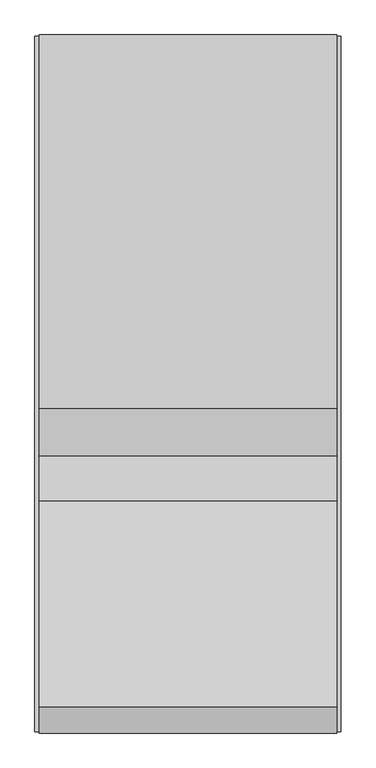
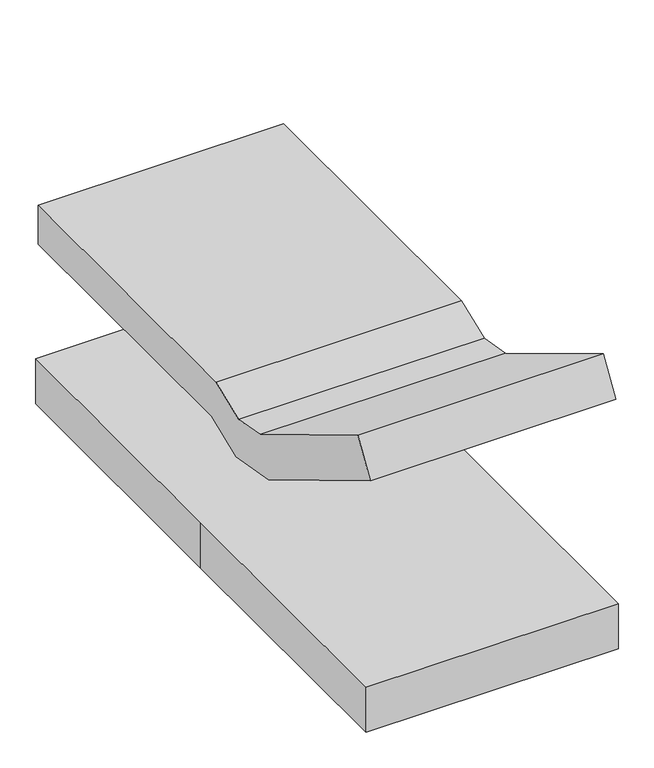
"""IFC4 building model written with IfcOpenShell, lengths in millimetres: proxy geometry."""

import ifcopenshell
import ifcopenshell.guid

model = None  # the IFC model being written
_history = None  # IfcOwnerHistory: only IFC2X3 demands one
_inside = {}  # id of a spatial element -> (the spatial element, [elements in it])
_under = {}  # id of a project, library or spatial element -> (it, [spatial elements below it])
_declared = {}  # id of a project -> (the project, [libraries it declares])
_typed = {}  # id of a type object -> (the type object, [elements of that type])
_made_of = {}  # id of a material, layer set ... -> (it, [elements and type objects made of it])


def new_model(schema):
    """Start an empty IFC model of exactly this schema.

    Asked for "IFC4X3", IfcOpenShell would pick the latest addendum, in which some entities
    have other attributes; the version numbers below select the first issue.
    IFC2X3 requires an IfcOwnerHistory on every rooted entity: one is made here for all.
    """
    global model, _history
    if schema == "IFC4X3":
        model = ifcopenshell.file(schema_version=(4, 3, 0, 0))
    else:
        model = ifcopenshell.file(schema=schema)
    _inside.clear()
    _under.clear()
    _declared.clear()
    _typed.clear()
    _made_of.clear()
    _history = None
    if model.schema == "IFC2X3":
        org = make("IfcOrganization", Name="unknown")
        user = make(
            "IfcPersonAndOrganization",
            ThePerson=make("IfcPerson", FamilyName="unknown"),
            TheOrganization=org,
        )
        app = make(
            "IfcApplication",
            ApplicationDeveloper=org,
            Version="unknown",
            ApplicationFullName="unknown",
            ApplicationIdentifier="unknown",
        )
        _history = make(
            "IfcOwnerHistory",
            OwningUser=user,
            OwningApplication=app,
            ChangeAction="ADDED",
            CreationDate=0,
        )
    return model


def make(cls, **values):
    """One entity of the class cls with the attributes given. An attribute that is None is left unset."""
    return model.create_entity(
        cls, **{name: value for name, value in values.items() if value is not None}
    )


def rooted(cls, **values):
    """An entity with a GlobalId (a new one), such as an element, a storey or a relation."""
    return make(cls, GlobalId=ifcopenshell.guid.new(), OwnerHistory=_history, **values)


def si_unit(unit_type, name, prefix=None):
    """IfcSIUnit, for example si_unit("LENGTHUNIT", "METRE", prefix="MILLI")."""
    return make("IfcSIUnit", UnitType=unit_type, Prefix=prefix, Name=name)


def assignment(units):
    """IfcUnitAssignment: the units of a project."""
    return None if units is None else make("IfcUnitAssignment", Units=units)


def point(xyz):
    """IfcCartesianPoint."""
    return None if xyz is None else make("IfcCartesianPoint", Coordinates=xyz)


def direction(xyz):
    """IfcDirection."""
    return None if xyz is None else make("IfcDirection", DirectionRatios=xyz)


def frame(location, z_axis=None, x_axis=None):
    """IfcAxis2Placement3D, a coordinate frame: its origin and axes. An axis left out is left unset."""
    return make(
        "IfcAxis2Placement3D",
        Location=point(location),
        Axis=direction(z_axis),
        RefDirection=direction(x_axis),
    )


def origin():
    """The frame at (0, 0, 0) with its axes left unset."""
    return frame((0.0, 0.0, 0.0))


def origin_with_axes():
    """The frame at (0, 0, 0) with the z axis (0, 0, 1) and the x axis (1, 0, 0) written out."""
    return frame((0.0, 0.0, 0.0), z_axis=(0.0, 0.0, 1.0), x_axis=(1.0, 0.0, 0.0))


def place(relative_to, where):
    """IfcLocalPlacement: puts the frame where relative to a parent placement (None: the world)."""
    return make(
        "IfcLocalPlacement", PlacementRelTo=relative_to, RelativePlacement=where
    )


def context(
    kind, dimensions, precision=None, world=None, true_north=None, identifier=None
):
    """IfcGeometricRepresentationContext, for example the 3D "Model" context."""
    return make(
        "IfcGeometricRepresentationContext",
        ContextIdentifier=identifier,
        ContextType=kind,
        CoordinateSpaceDimension=dimensions,
        Precision=precision,
        WorldCoordinateSystem=world,
        TrueNorth=true_north,
    )


def project(units=None, contexts=None):
    """IfcProject with its units and contexts."""
    return rooted(
        "IfcProject",
        Name="project",
        RepresentationContexts=contexts,
        UnitsInContext=assignment(units),
    )


def spatial(cls, under=None, at=None, **own):
    """A site, building, storey or space (cls), placed at a placement, below another one or the project."""
    s = rooted(cls, ObjectPlacement=at, **own)
    if under is not None:
        _under.setdefault(under.id(), (under, []))[1].append(s)
    return s


def polyline(points):
    """IfcPolyline through the points."""
    return make("IfcPolyline", Points=[point(p) for p in points])


def outline(outer, holes=None, kind="AREA"):
    """IfcArbitraryClosedProfileDef: a profile drawn as a closed curve; with holes, ...WithVoids."""
    if holes is None:
        return make("IfcArbitraryClosedProfileDef", ProfileType=kind, OuterCurve=outer)
    return make(
        "IfcArbitraryProfileDefWithVoids",
        ProfileType=kind,
        OuterCurve=outer,
        InnerCurves=holes,
    )


def extrude(swept, where, along, depth):
    """IfcExtrudedAreaSolid: the profile swept, set in the frame where, extruded along a direction by depth."""
    return make(
        "IfcExtrudedAreaSolid",
        SweptArea=swept,
        Position=where,
        ExtrudedDirection=direction(along),
        Depth=depth,
    )


def shape(context_of_items, identifier, shape_type, items):
    """IfcShapeRepresentation: the items that make up one representation, for example the "Body"."""
    return make(
        "IfcShapeRepresentation",
        ContextOfItems=context_of_items,
        RepresentationIdentifier=identifier,
        RepresentationType=shape_type,
        Items=items,
    )


def source(mapping_origin, context_of_items, identifier, shape_type, items):
    """IfcRepresentationMap: a shape defined once, which mapped items show again and again."""
    return make(
        "IfcRepresentationMap",
        MappingOrigin=mapping_origin,
        MappedRepresentation=shape(context_of_items, identifier, shape_type, items),
    )


def transform(
    local_origin,
    x_axis=None,
    y_axis=None,
    z_axis=None,
    scale=None,
    scale2=None,
    scale3=None,
    uniform=True,
):
    """IfcCartesianTransformationOperator3D, or its non-uniform kind. x_axis, y_axis, z_axis: its Axis1, 2, 3."""
    if uniform:
        return make(
            "IfcCartesianTransformationOperator3D",
            Axis1=direction(x_axis),
            Axis2=direction(y_axis),
            LocalOrigin=point(local_origin),
            Scale=scale,
            Axis3=direction(z_axis),
        )
    return make(
        "IfcCartesianTransformationOperator3DnonUniform",
        Axis1=direction(x_axis),
        Axis2=direction(y_axis),
        LocalOrigin=point(local_origin),
        Scale=scale,
        Axis3=direction(z_axis),
        Scale2=scale2,
        Scale3=scale3,
    )


def mapped(mapping_source, mapping_target):
    """IfcMappedItem: shows the shape of a source again, moved by a transform."""
    return make(
        "IfcMappedItem", MappingSource=mapping_source, MappingTarget=mapping_target
    )


def made_of(thing, what):
    """Note that an element or type object is made of a material, layer set ...; save() writes the relation."""
    if what is not None:
        _made_of.setdefault(what.id(), (what, []))[1].append(thing)
    return thing


def element(
    cls,
    number,
    at=None,
    inside=None,
    cuts=None,
    type_object=None,
    material=None,
    context=None,
    identifier="Body",
    shape_type=None,
    held_by="IfcProductDefinitionShape",
    body=None,
    shapes=None,
    **own,
):
    """One element of the class cls, such as IfcWall. Its Tag is "e" and its number.

    at: its placement. inside: the storey or other place that contains it. cuts: it is an
    opening in that element (IfcRelVoidsElement). A single representation is given by context,
    identifier, shape_type and body (its items); several are given by shapes. held_by: the class
    of the entity that holds the representations. save() writes the other relations.
    """
    e = rooted(cls, Tag="e%d" % number, ObjectPlacement=at, **own)
    if body is not None:
        shapes = [shape(context, identifier, shape_type, body)]
    if shapes is not None:
        e.Representation = make(held_by, Representations=shapes)
    if inside is not None:
        _inside.setdefault(inside.id(), (inside, []))[1].append(e)
    if cuts is not None:
        rooted(
            "IfcRelVoidsElement", RelatingBuildingElement=cuts, RelatedOpeningElement=e
        )
    if type_object is not None:
        _typed.setdefault(type_object.id(), (type_object, []))[1].append(e)
    return made_of(e, material)


def aggregate(whole, parts):
    """IfcRelAggregates: a whole, such as a stair, and the parts it consists of."""
    return rooted("IfcRelAggregates", RelatingObject=whole, RelatedObjects=parts)


def save(model, path):
    """Write the relations noted so far, then the file.

    IfcRelAggregates (storeys below a building ...), IfcRelContainedInSpatialStructure (elements
    in a storey), IfcRelDefinesByType, IfcRelAssociatesMaterial and IfcRelDeclares: one each for
    every whole, place, type object, material and project.
    """
    for whole, parts in _under.values():
        aggregate(whole, parts)
    for where, things in _inside.values():
        rooted(
            "IfcRelContainedInSpatialStructure",
            RelatedElements=things,
            RelatingStructure=where,
        )
    for kind, things in _typed.values():
        rooted("IfcRelDefinesByType", RelatedObjects=things, RelatingType=kind)
    for what, things in _made_of.values():
        rooted("IfcRelAssociatesMaterial", RelatedObjects=things, RelatingMaterial=what)
    for by, libraries in _declared.values():
        rooted("IfcRelDeclares", RelatingContext=by, RelatedDefinitions=libraries)
    model.write(path)


def specialty_equipment_cfa8e10c(model_context):
    return source(origin(), model_context, "Body", "SweptSolid", [
        extrude(outline(polyline([(-46.7880485, 621.3510043), (-206.2622208, 557.8510043), (-413.846315, 594.4536809), (-1070.8119515, 989.19846), (-992.3201489, 1119.8307566), (-359.5657775, 739.6335733), (-222.4258933, 715.4521116), (-76.013804, 773.7510043), (1070.8119515, 773.7510043), (1070.8119515, 621.3510043), (-46.7880485, 621.3510043)])), frame((-457.2, 0.0, 0.0), z_axis=(1.0, 0.0, 0.0), x_axis=(0.0, 1.0, 0.0)), (0.0, 0.0, 1.0), 914.4),
        extrude(outline(polyline([(-469.9, -1066.8), (-469.9, 0.0), (-469.9, 1066.8), (469.9, 1066.8), (469.9, -1066.8), (-469.9, -1066.8)])), origin_with_axes(), (0.0, 0.0, 1.0), 177.8),
    ])


if __name__ == "__main__":
    model = new_model("IFC4")
    model_context = context("Model", 3, world=origin())
    ifc_project = project(units=[si_unit("LENGTHUNIT", "METRE", prefix="MILLI")], contexts=[model_context])
    site = spatial("IfcSite", under=ifc_project)
    building = spatial("IfcBuilding", under=site)
    placement = place(None, origin())
    specialty_equipment_shape = specialty_equipment_cfa8e10c(model_context)
    element("IfcBuildingElementProxy", 1, Name="Specialty Equipment", at=placement, inside=building, context=model_context, shape_type="MappedRepresentation", body=[
        mapped(specialty_equipment_shape, transform((0.0, 0.0, 0.0), x_axis=(1.0, 0.0, 0.0), y_axis=(0.0, 1.0, 0.0), z_axis=(0.0, 0.0, 1.0))),
    ])
    save(model, "model.ifc")
